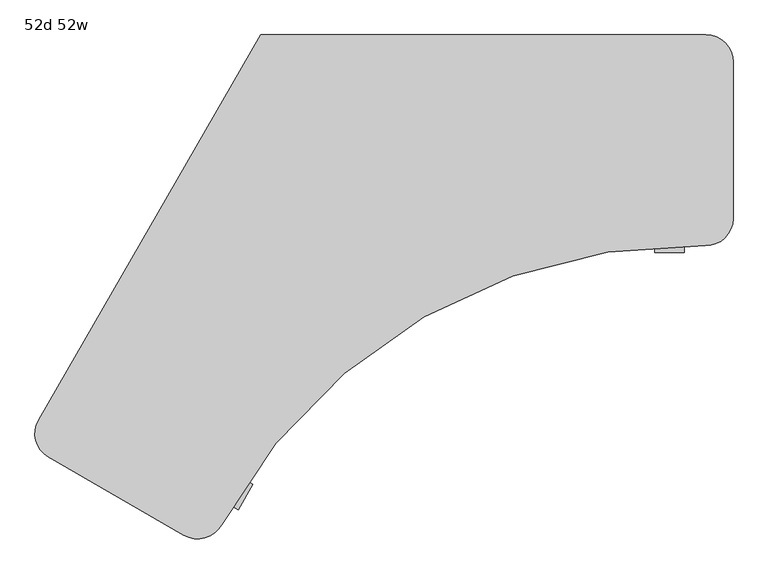
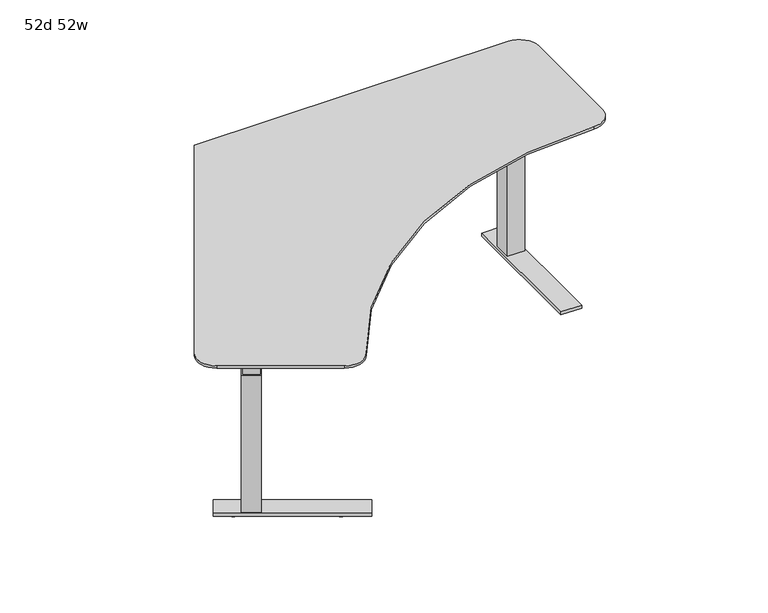
"""IFC4 building model written with IfcOpenShell, lengths in millimetres: furniture geometry, 52d 52w."""

import ifcopenshell
import ifcopenshell.guid

model = None  # the IFC model being written
_history = None  # IfcOwnerHistory: only IFC2X3 demands one
_inside = {}  # id of a spatial element -> (the spatial element, [elements in it])
_under = {}  # id of a project, library or spatial element -> (it, [spatial elements below it])
_declared = {}  # id of a project -> (the project, [libraries it declares])
_typed = {}  # id of a type object -> (the type object, [elements of that type])
_made_of = {}  # id of a material, layer set ... -> (it, [elements and type objects made of it])


def new_model(schema):
    """Start an empty IFC model of exactly this schema.

    Asked for "IFC4X3", IfcOpenShell would pick the latest addendum, in which some entities
    have other attributes; the version numbers below select the first issue.
    IFC2X3 requires an IfcOwnerHistory on every rooted entity: one is made here for all.
    """
    global model, _history
    if schema == "IFC4X3":
        model = ifcopenshell.file(schema_version=(4, 3, 0, 0))
    else:
        model = ifcopenshell.file(schema=schema)
    _inside.clear()
    _under.clear()
    _declared.clear()
    _typed.clear()
    _made_of.clear()
    _history = None
    if model.schema == "IFC2X3":
        org = make("IfcOrganization", Name="unknown")
        user = make(
            "IfcPersonAndOrganization",
            ThePerson=make("IfcPerson", FamilyName="unknown"),
            TheOrganization=org,
        )
        app = make(
            "IfcApplication",
            ApplicationDeveloper=org,
            Version="unknown",
            ApplicationFullName="unknown",
            ApplicationIdentifier="unknown",
        )
        _history = make(
            "IfcOwnerHistory",
            OwningUser=user,
            OwningApplication=app,
            ChangeAction="ADDED",
            CreationDate=0,
        )
    return model


def make(cls, **values):
    """One entity of the class cls with the attributes given. An attribute that is None is left unset."""
    return model.create_entity(
        cls, **{name: value for name, value in values.items() if value is not None}
    )


def rooted(cls, **values):
    """An entity with a GlobalId (a new one), such as an element, a storey or a relation."""
    return make(cls, GlobalId=ifcopenshell.guid.new(), OwnerHistory=_history, **values)


def si_unit(unit_type, name, prefix=None):
    """IfcSIUnit, for example si_unit("LENGTHUNIT", "METRE", prefix="MILLI")."""
    return make("IfcSIUnit", UnitType=unit_type, Prefix=prefix, Name=name)


def assignment(units):
    """IfcUnitAssignment: the units of a project."""
    return None if units is None else make("IfcUnitAssignment", Units=units)


def point(xyz):
    """IfcCartesianPoint."""
    return None if xyz is None else make("IfcCartesianPoint", Coordinates=xyz)


def direction(xyz):
    """IfcDirection."""
    return None if xyz is None else make("IfcDirection", DirectionRatios=xyz)


def frame(location, z_axis=None, x_axis=None):
    """IfcAxis2Placement3D, a coordinate frame: its origin and axes. An axis left out is left unset."""
    return make(
        "IfcAxis2Placement3D",
        Location=point(location),
        Axis=direction(z_axis),
        RefDirection=direction(x_axis),
    )


def frame_2d(location, x_axis=None):
    """IfcAxis2Placement2D, a coordinate frame in the plane: its origin and x axis."""
    return make(
        "IfcAxis2Placement2D", Location=point(location), RefDirection=direction(x_axis)
    )


def origin():
    """The frame at (0, 0, 0) with its axes left unset."""
    return frame((0.0, 0.0, 0.0))


def origin_with_axes():
    """The frame at (0, 0, 0) with the z axis (0, 0, 1) and the x axis (1, 0, 0) written out."""
    return frame((0.0, 0.0, 0.0), z_axis=(0.0, 0.0, 1.0), x_axis=(1.0, 0.0, 0.0))


def place(relative_to, where):
    """IfcLocalPlacement: puts the frame where relative to a parent placement (None: the world)."""
    return make(
        "IfcLocalPlacement", PlacementRelTo=relative_to, RelativePlacement=where
    )


def context(
    kind, dimensions, precision=None, world=None, true_north=None, identifier=None
):
    """IfcGeometricRepresentationContext, for example the 3D "Model" context."""
    return make(
        "IfcGeometricRepresentationContext",
        ContextIdentifier=identifier,
        ContextType=kind,
        CoordinateSpaceDimension=dimensions,
        Precision=precision,
        WorldCoordinateSystem=world,
        TrueNorth=true_north,
    )


def project(units=None, contexts=None):
    """IfcProject with its units and contexts."""
    return rooted(
        "IfcProject",
        Name="project",
        RepresentationContexts=contexts,
        UnitsInContext=assignment(units),
    )


def spatial(cls, under=None, at=None, **own):
    """A site, building, storey or space (cls), placed at a placement, below another one or the project."""
    s = rooted(cls, ObjectPlacement=at, **own)
    if under is not None:
        _under.setdefault(under.id(), (under, []))[1].append(s)
    return s


def polyline(points):
    """IfcPolyline through the points."""
    return make("IfcPolyline", Points=[point(p) for p in points])


def circle_curve(where, radius):
    """IfcCircle in the frame where."""
    return make("IfcCircle", Position=where, Radius=radius)


def trimmed(basis, trim1, trim2, sense, master):
    """IfcTrimmedCurve: the piece of a basis curve between two trims."""
    return make(
        "IfcTrimmedCurve",
        BasisCurve=basis,
        Trim1=trim1,
        Trim2=trim2,
        SenseAgreement=sense,
        MasterRepresentation=master,
    )


def segment(curve, same_sense, transition):
    """IfcCompositeCurveSegment."""
    return make(
        "IfcCompositeCurveSegment",
        Transition=transition,
        SameSense=same_sense,
        ParentCurve=curve,
    )


def composite_curve(segments, self_intersect=None):
    """IfcCompositeCurve: segments joined end to end."""
    return make("IfcCompositeCurve", Segments=segments, SelfIntersect=self_intersect)


def outline(outer, holes=None, kind="AREA"):
    """IfcArbitraryClosedProfileDef: a profile drawn as a closed curve; with holes, ...WithVoids."""
    if holes is None:
        return make("IfcArbitraryClosedProfileDef", ProfileType=kind, OuterCurve=outer)
    return make(
        "IfcArbitraryProfileDefWithVoids",
        ProfileType=kind,
        OuterCurve=outer,
        InnerCurves=holes,
    )


def extrude(swept, where, along, depth):
    """IfcExtrudedAreaSolid: the profile swept, set in the frame where, extruded along a direction by depth."""
    return make(
        "IfcExtrudedAreaSolid",
        SweptArea=swept,
        Position=where,
        ExtrudedDirection=direction(along),
        Depth=depth,
    )


def faces_of(points, faces, orient=None, outer=None):
    """IfcFace entities. A face is a list of loops; a loop is a list of indices into points, from 0.

    orient and outer hold one flag for each loop. By default every Orientation is true, the
    first loop of a face is its IfcFaceOuterBound and the others are IfcFaceBound.
    """
    made = []
    for i, loops in enumerate(faces):
        bounds = []
        for j, loop in enumerate(loops):
            is_outer = j == 0 if outer is None else outer[i][j]
            bounds.append(
                make(
                    "IfcFaceOuterBound" if is_outer else "IfcFaceBound",
                    Bound=make("IfcPolyLoop", Polygon=[points[k] for k in loop]),
                    Orientation=True if orient is None else orient[i][j],
                )
            )
        made.append(make("IfcFace", Bounds=bounds))
    return made


def faceted_brep(points, faces, orient=None, outer=None, voids=None):
    """IfcFacetedBrep: a solid bounded by flat faces; with voids (closed shells), ...WithVoids."""
    shared = [point(p) for p in points]
    hull = make("IfcClosedShell", CfsFaces=faces_of(shared, faces, orient, outer))
    if voids is None:
        return make("IfcFacetedBrep", Outer=hull)
    return make(
        "IfcFacetedBrepWithVoids",
        Outer=hull,
        Voids=[
            make(cls, CfsFaces=faces_of(shared, fs, o, b)) for cls, fs, o, b in voids
        ],
    )


def shape(context_of_items, identifier, shape_type, items):
    """IfcShapeRepresentation: the items that make up one representation, for example the "Body"."""
    return make(
        "IfcShapeRepresentation",
        ContextOfItems=context_of_items,
        RepresentationIdentifier=identifier,
        RepresentationType=shape_type,
        Items=items,
    )


def source(mapping_origin, context_of_items, identifier, shape_type, items):
    """IfcRepresentationMap: a shape defined once, which mapped items show again and again."""
    return make(
        "IfcRepresentationMap",
        MappingOrigin=mapping_origin,
        MappedRepresentation=shape(context_of_items, identifier, shape_type, items),
    )


def transform(
    local_origin,
    x_axis=None,
    y_axis=None,
    z_axis=None,
    scale=None,
    scale2=None,
    scale3=None,
    uniform=True,
):
    """IfcCartesianTransformationOperator3D, or its non-uniform kind. x_axis, y_axis, z_axis: its Axis1, 2, 3."""
    if uniform:
        return make(
            "IfcCartesianTransformationOperator3D",
            Axis1=direction(x_axis),
            Axis2=direction(y_axis),
            LocalOrigin=point(local_origin),
            Scale=scale,
            Axis3=direction(z_axis),
        )
    return make(
        "IfcCartesianTransformationOperator3DnonUniform",
        Axis1=direction(x_axis),
        Axis2=direction(y_axis),
        LocalOrigin=point(local_origin),
        Scale=scale,
        Axis3=direction(z_axis),
        Scale2=scale2,
        Scale3=scale3,
    )


def mapped(mapping_source, mapping_target):
    """IfcMappedItem: shows the shape of a source again, moved by a transform."""
    return make(
        "IfcMappedItem", MappingSource=mapping_source, MappingTarget=mapping_target
    )


def made_of(thing, what):
    """Note that an element or type object is made of a material, layer set ...; save() writes the relation."""
    if what is not None:
        _made_of.setdefault(what.id(), (what, []))[1].append(thing)
    return thing


def element(
    cls,
    number,
    at=None,
    inside=None,
    cuts=None,
    type_object=None,
    material=None,
    context=None,
    identifier="Body",
    shape_type=None,
    held_by="IfcProductDefinitionShape",
    body=None,
    shapes=None,
    **own,
):
    """One element of the class cls, such as IfcWall. Its Tag is "e" and its number.

    at: its placement. inside: the storey or other place that contains it. cuts: it is an
    opening in that element (IfcRelVoidsElement). A single representation is given by context,
    identifier, shape_type and body (its items); several are given by shapes. held_by: the class
    of the entity that holds the representations. save() writes the other relations.
    """
    e = rooted(cls, Tag="e%d" % number, ObjectPlacement=at, **own)
    if body is not None:
        shapes = [shape(context, identifier, shape_type, body)]
    if shapes is not None:
        e.Representation = make(held_by, Representations=shapes)
    if inside is not None:
        _inside.setdefault(inside.id(), (inside, []))[1].append(e)
    if cuts is not None:
        rooted(
            "IfcRelVoidsElement", RelatingBuildingElement=cuts, RelatedOpeningElement=e
        )
    if type_object is not None:
        _typed.setdefault(type_object.id(), (type_object, []))[1].append(e)
    return made_of(e, material)


def aggregate(whole, parts):
    """IfcRelAggregates: a whole, such as a stair, and the parts it consists of."""
    return rooted("IfcRelAggregates", RelatingObject=whole, RelatedObjects=parts)


def save(model, path):
    """Write the relations noted so far, then the file.

    IfcRelAggregates (storeys below a building ...), IfcRelContainedInSpatialStructure (elements
    in a storey), IfcRelDefinesByType, IfcRelAssociatesMaterial and IfcRelDeclares: one each for
    every whole, place, type object, material and project.
    """
    for whole, parts in _under.values():
        aggregate(whole, parts)
    for where, things in _inside.values():
        rooted(
            "IfcRelContainedInSpatialStructure",
            RelatedElements=things,
            RelatingStructure=where,
        )
    for kind, things in _typed.values():
        rooted("IfcRelDefinesByType", RelatedObjects=things, RelatingType=kind)
    for what, things in _made_of.values():
        rooted("IfcRelAssociatesMaterial", RelatedObjects=things, RelatingMaterial=what)
    for by, libraries in _declared.values():
        rooted("IfcRelDeclares", RelatingContext=by, RelatedDefinitions=libraries)
    model.write(path)


def plane_surface(at):
    """IfcPlane: the flat surface through the origin of the frame at, square to its z axis."""
    return make("IfcPlane", Position=at)


def cylinder_surface(at, radius):
    """IfcCylindricalSurface: all points at the distance radius from the z axis of the frame at."""
    return make("IfcCylindricalSurface", Position=at, Radius=radius)


def revolved_surface(curve, axis_point, axis_direction):
    """IfcSurfaceOfRevolution: the curve turned about the line through axis_point along axis_direction."""
    return make(
        "IfcSurfaceOfRevolution",
        SweptCurve=make("IfcArbitraryOpenProfileDef", ProfileType="CURVE", Curve=curve),
        AxisPosition=make("IfcAxis1Placement", Location=point(axis_point), Axis=direction(axis_direction)),
    )


def advanced_brep(points, edges, surfaces, faces):
    """IfcAdvancedBrep: a solid bounded by faces that lie on surfaces and meet in shared edges.

    An edge is (start, end): straight between two places in points (the first is 0);
    or (start, end, curve); or (start, end, curve, False) where it runs against its curve.
    A face is (place in surfaces, loops), or (place, loops, False) where it looks against
    its surface's normal. A loop lists edges by number (the first is 1), with a minus sign
    where the edge is run from its end to its start. The first loop is the outer one.
    """
    corners = [point(p) for p in points]
    vertices = [make("IfcVertexPoint", VertexGeometry=c) for c in corners]
    made = []
    for start, end, *more in edges:
        made.append(
            make(
                "IfcEdgeCurve",
                EdgeStart=vertices[start],
                EdgeEnd=vertices[end],
                EdgeGeometry=more[0] if more else make("IfcPolyline", Points=[corners[start], corners[end]]),
                SameSense=more[1] if len(more) > 1 else True,
            )
        )
    hull = []
    for where, loops, *sense in faces:
        bounds = []
        for j, loop in enumerate(loops):
            ring = [make("IfcOrientedEdge", EdgeElement=made[abs(k) - 1], Orientation=k > 0) for k in loop]
            bounds.append(
                make(
                    "IfcFaceOuterBound" if j == 0 else "IfcFaceBound",
                    Bound=make("IfcEdgeLoop", EdgeList=ring),
                    Orientation=True,
                )
            )
        hull.append(make("IfcAdvancedFace", Bounds=bounds, FaceSurface=surfaces[where], SameSense=sense[0] if sense else True))
    return make("IfcAdvancedBrep", Outer=make("IfcClosedShell", CfsFaces=hull))


def furniture_52d_52w_4bf443f7(model_context):
    return source(origin(), model_context, "Body", "SolidModel", [
        extrude(outline(composite_curve([segment(polyline([(-540.8415996, 15.8671315), (-622.355996, -31.1952273)]), True, "CONTINUOUS"), segment(trimmed(circle_curve(frame_2d((-626.324746, -24.3211506)), 7.9375), [point((-622.355996, -31.1952273))], [point((-633.1988227, -28.2899006))], False, "CARTESIAN"), True, "CONTINUOUS"), segment(polyline([(-633.1988227, -28.2899006), (-718.7043722, 119.8100555)]), True, "CONTINUOUS"), segment(trimmed(circle_curve(frame_2d((-711.8302956, 123.7788055)), 7.9375), [point((-718.7043722, 119.8100555))], [point((-715.7990456, 130.6528821))], False, "CARTESIAN"), True, "CONTINUOUS"), segment(polyline([(-715.7990456, 130.6528821), (-634.2846491, 177.7152408)]), True, "CONTINUOUS"), segment(trimmed(circle_curve(frame_2d((-630.3158991, 170.8411642)), 7.9375), [point((-634.2846491, 177.7152408))], [point((-623.4418225, 174.8099142))], False, "CARTESIAN"), True, "CONTINUOUS"), segment(polyline([(-623.4418225, 174.8099142), (-537.936273, 26.7099581)]), True, "CONTINUOUS"), segment(trimmed(circle_curve(frame_2d((-544.8103496, 22.7412081)), 7.9375), [point((-537.936273, 26.7099581))], [point((-540.8415996, 15.8671315))], False, "CARTESIAN"), True, "CONTINUOUS")], self_intersect=False)), frame((0.0, 0.0, 668.3375), z_axis=(0.0, 0.0, 1.0), x_axis=(1.0, 0.0, 0.0)), (0.0, 0.0, 1.0), 38.1),
        advanced_brep(
        [(-667.5786469, 141.2574192, 0.0), (-642.6191103, 98.0262336, 0.0), (-655.0988786, 119.6418264, 0.0), (-667.5786469, 141.2574192, 5.9990992), (-642.6191103, 98.0262336, 5.9990992), (-657.9141433, 124.5180078, 12.2119374), (-652.2836139, 114.7656449, 12.2119374), (-657.0983773, 123.1050597, 12.2119374), (-653.0993799, 116.1785931, 12.2119374), (-657.0983773, 123.1050597, 15.7335157), (-653.0993799, 116.1785931, 15.7335157), (-655.0988786, 119.6418264, 15.7335157)],
        [
            (0, 1, circle_curve(frame((-655.0988786, 119.6418264, 0.0), z_axis=(0.0, 0.0, -1.0), x_axis=(0.4999999999999908, -0.8660254037844441, 0.0)), 24.9595366)),
            (1, 2),
            (2, 0),
            (1, 0, circle_curve(frame((-655.0988786, 119.6418264, 0.0), z_axis=(0.0, 0.0, -1.0), x_axis=(0.4999999999999908, -0.8660254037844441, 0.0)), 24.9595366)),
            (3, 4, circle_curve(frame((-655.0988786, 119.6418264, 5.9990992), z_axis=(0.0, 0.0, -1.0), x_axis=(0.4999999999999908, -0.8660254037844441, 0.0)), 24.9595366)),
            (4, 1),
            (0, 3),
            (4, 3, circle_curve(frame((-655.0988786, 119.6418264, 5.9990992), z_axis=(0.0, 0.0, -1.0), x_axis=(0.4999999999999908, -0.8660254037844441, 0.0)), 24.9595366)),
            (5, 6, circle_curve(frame((-655.0988786, 119.6418264, 12.2119374), z_axis=(0.0, 0.0, -1.0), x_axis=(0.4999999999999908, -0.8660254037844441, 0.0)), 5.6305293)),
            (6, 4),
            (3, 5),
            (6, 5, circle_curve(frame((-655.0988786, 119.6418264, 12.2119374), z_axis=(0.0, 0.0, -1.0), x_axis=(0.4999999999999908, -0.8660254037844441, 0.0)), 5.6305293)),
            (7, 8, circle_curve(frame((-655.0988786, 119.6418264, 12.2119374), z_axis=(0.0, 0.0, -1.0), x_axis=(0.4999999999999908, -0.8660254037844441, 0.0)), 3.9989974)),
            (8, 6),
            (5, 7),
            (8, 7, circle_curve(frame((-655.0988786, 119.6418264, 12.2119374), z_axis=(0.0, 0.0, -1.0), x_axis=(0.4999999999999908, -0.8660254037844441, 0.0)), 3.9989974)),
            (9, 10, circle_curve(frame((-655.0988786, 119.6418264, 15.7335157), z_axis=(0.0, 0.0, -1.0), x_axis=(0.4999999999999908, -0.8660254037844441, 0.0)), 3.9989974)),
            (10, 8),
            (7, 9),
            (10, 9, circle_curve(frame((-655.0988786, 119.6418264, 15.7335157), z_axis=(0.0, 0.0, -1.0), x_axis=(0.4999999999999908, -0.8660254037844441, 0.0)), 3.9989974)),
            (11, 10),
            (9, 11),
        ],
        [
            plane_surface(frame((-655.0988786, 119.6418264, 0.0), z_axis=(0.0, 0.0, -0.9999999999999998), x_axis=(0.4999999999999907, -0.8660254037844439, 0.0))),
            cylinder_surface(frame((-655.0988786, 119.6418264, 27.0380565), z_axis=(0.0, 0.0, 1.0), x_axis=(0.4999999999999908, -0.8660254037844441, 0.0)), 24.9595366),
            revolved_surface(polyline([(-642.6191103, 98.0262336, 5.9990992), (-652.2836139, 114.7656449, 12.2119374)]), (-655.0988786, 119.6418264, 27.0380565), (0.0, 0.0, 1.0)),
            plane_surface(frame((-655.0988786, 119.6418264, 12.2119374), z_axis=(0.0, 0.0, 0.9999999999999998), x_axis=(0.4999999999999907, -0.8660254037844439, 0.0))),
            cylinder_surface(frame((-655.0988786, 119.6418264, 27.0380565), z_axis=(0.0, 0.0, 1.0), x_axis=(0.4999999999999908, -0.8660254037844441, 0.0)), 3.9989974),
            plane_surface(frame((-655.0988786, 119.6418264, 15.7335157), z_axis=(0.0, 0.0, 0.9999999999999998), x_axis=(0.4999999999999907, -0.8660254037844439, 0.0))),
        ],
        [
            (0, [[1, 2, 3]]),
            (0, [[4, -3, -2]]),
            (1, [[5, 6, -1, 7]]),
            (1, [[8, -7, -4, -6]]),
            (2, [[9, 10, -5, 11]]),
            (2, [[12, -11, -8, -10]]),
            (3, [[13, 14, -9, 15]]),
            (3, [[16, -15, -12, -14]]),
            (4, [[17, 18, -13, 19]]),
            (4, [[20, -19, -16, -18]]),
            (5, [[21, -17, 22]]),
            (5, [[-22, -20, -21]]),
        ],
    ),
        extrude(outline(composite_curve([segment(polyline([(-641.348875, 155.7830063), (-616.9261928, 113.48168)]), True, "CONTINUOUS"), segment(trimmed(circle_curve(frame_2d((-621.7380465, 110.703555)), 5.55625), [point((-616.9261928, 113.48168))], [point((-618.9599215, 105.8917013))], False, "CARTESIAN"), True, "CONTINUOUS"), segment(polyline([(-618.9599215, 105.8917013), (-661.2606718, 81.4693517)]), True, "CONTINUOUS"), segment(trimmed(circle_curve(frame_2d((-664.0387968, 86.2812054)), 5.55625), [point((-661.2606718, 81.4693517))], [point((-668.8506505, 83.5030804))], False, "CARTESIAN"), True, "CONTINUOUS"), segment(polyline([(-668.8506505, 83.5030804), (-693.2733326, 125.8044067)]), True, "CONTINUOUS"), segment(trimmed(circle_curve(frame_2d((-688.461479, 128.5825317)), 5.55625), [point((-693.2733326, 125.8044067))], [point((-691.239604, 133.3943854))], False, "CARTESIAN"), True, "CONTINUOUS"), segment(polyline([(-691.239604, 133.3943854), (-648.9388536, 157.816735)]), True, "CONTINUOUS"), segment(trimmed(circle_curve(frame_2d((-646.1607286, 153.0048813)), 5.55625), [point((-648.9388536, 157.816735))], [point((-641.348875, 155.7830063))], False, "CARTESIAN"), True, "CONTINUOUS")], self_intersect=False)), frame((0.0, 0.0, 513.5615976), z_axis=(0.0, 0.0, 1.0), x_axis=(1.0, 0.0, 0.0)), (0.0, 0.0, 1.0), 154.7759024),
        extrude(outline(composite_curve([segment(trimmed(circle_curve(frame_2d((-615.9997443, 109.2201542)), 6.35), [point((-610.5004829, 112.3951542))], [point((-612.8247443, 103.7208929))], False, "CARTESIAN"), True, "CONTINUOUS"), segment(polyline([(-612.8247443, 103.7208929), (-662.4480129, 75.0708854)]), True, "CONTINUOUS"), segment(trimmed(circle_curve(frame_2d((-665.6230129, 80.5701467)), 6.35), [point((-662.4480129, 75.0708854))], [point((-671.1222743, 77.3951467))], False, "CARTESIAN"), True, "CONTINUOUS"), segment(polyline([(-671.1222743, 77.3951467), (-699.6972743, 126.8884985)]), True, "CONTINUOUS"), segment(trimmed(circle_curve(frame_2d((-694.1980129, 130.0634985)), 6.35), [point((-699.6972743, 126.8884985))], [point((-697.3730129, 135.5627598))], False, "CARTESIAN"), True, "CONTINUOUS"), segment(polyline([(-697.3730129, 135.5627598), (-647.7497443, 164.2127674)]), True, "CONTINUOUS"), segment(trimmed(circle_curve(frame_2d((-644.5747443, 158.713506)), 6.35), [point((-647.7497443, 164.2127674))], [point((-639.0754829, 161.888506))], False, "CARTESIAN"), True, "CONTINUOUS"), segment(polyline([(-639.0754829, 161.888506), (-610.5004829, 112.3951542)]), True, "CONTINUOUS")], self_intersect=False)), frame((0.0, 0.0, 13.4990976), z_axis=(0.0, 0.0, 1.0), x_axis=(1.0, 0.0, 0.0)), (0.0, 0.0, 1.0), 500.0625),
        extrude(outline(composite_curve([segment(trimmed(circle_curve(frame_2d((-1217.6911351, -751.1801985)), 28.5342152), [point((-1231.9582427, -775.8915537))], [point((-1203.4240275, -726.4688433))], False, "CARTESIAN"), True, "CONTINUOUS"), segment(trimmed(circle_curve(frame_2d((-1217.6911351, -751.1801985)), 28.5342152), [point((-1203.4240275, -726.4688433))], [point((-1231.9582427, -775.8915537))], False, "CARTESIAN"), True, "CONTINUOUS")], self_intersect=False)), origin_with_axes(), (0.0, 0.0, 1.0), 9.525),
        extrude(outline(composite_curve([segment(trimmed(circle_curve(frame_2d((-897.3591635, -936.1239485)), 28.6553383), [point((-911.6868327, -960.9401995))], [point((-883.0314944, -911.3076976))], False, "CARTESIAN"), True, "CONTINUOUS"), segment(trimmed(circle_curve(frame_2d((-897.3591635, -936.1239485)), 28.6553383), [point((-883.0314944, -911.3076976))], [point((-911.6868327, -960.9401995))], False, "CARTESIAN"), True, "CONTINUOUS")], self_intersect=False)), origin_with_axes(), (0.0, 0.0, 1.0), 9.525),
        extrude(outline(polyline([(-1175.1135785, -740.9337073), (-1122.870596, -771.0962073), (-1153.033096, -823.3391898), (-1205.2760785, -793.1766898), (-1175.1135785, -740.9337073)])), frame((0.0, 0.0, 596.9), z_axis=(0.0, 0.0, 1.0), x_axis=(1.0, 0.0, 0.0)), (0.0, 0.0, 1.0), 109.5375),
        faceted_brep([(-1256.1706942, -681.30375, 9.525), (-1256.1706942, -681.30375, 22.225), (-784.6090365, -953.56, 22.225), (-784.6090365, -953.56, 9.525), (-1297.4456942, -752.7941471, 9.525), (-825.8840365, -1025.0503971, 9.525), (-825.8840365, -1025.0503971, 22.225), (-1297.4456942, -752.7941471, 22.225), (-1176.8567745, -734.4280113, 596.9), (-1211.7817745, -794.9198857, 596.9), (-1151.2899, -829.8448857, 596.9), (-1116.3649, -769.3530113, 596.9), (-1176.8567745, -734.4280113, 22.225), (-1211.7817745, -794.9198857, 22.225), (-1151.2899, -829.8448857, 22.225), (-1116.3649, -769.3530113, 22.225)], [[[0, 1, 2, 3]], [[4, 5, 6, 7]], [[0, 3, 5, 4]], [[8, 9, 10, 11]], [[9, 8, 12, 13]], [[10, 9, 13, 14]], [[11, 10, 14, 15]], [[8, 11, 15, 12]], [[1, 0, 4, 7]], [[2, 1, 7, 6], [13, 12, 15, 14]], [[3, 2, 6, 5]]]),
        extrude(outline(polyline([(406.4, 0.0), (406.4, -9.3136828), (264.4257578, -66.675), (149.7782415, -66.675), (0.0, -37.5610591), (0.0, 0.0), (406.4, 0.0)])), frame((-971.4017767, -937.3695164, 706.4375), z_axis=(0.5000000000000007, 0.8660254037844384, 0.0), x_axis=(-0.8660254037844384, 0.5000000000000007, 0.0)), (0.0, 0.0, 1.0), 3.175),
        extrude(outline(composite_curve([segment(trimmed(circle_curve(frame_2d((380.3512453, 171.45)), 28.5342152), [point((408.8854605, 171.45))], [point((351.8170302, 171.45))], False, "CARTESIAN"), True, "CONTINUOUS"), segment(trimmed(circle_curve(frame_2d((380.3512453, 171.45)), 28.5342152), [point((351.8170302, 171.45))], [point((408.8854605, 171.45))], False, "CARTESIAN"), True, "CONTINUOUS")], self_intersect=False)), origin_with_axes(), (0.0, 0.0, 1.0), 9.525),
        extrude(outline(composite_curve([segment(trimmed(circle_curve(frame_2d((380.3512453, -198.4375)), 28.6553383), [point((409.0065837, -198.4375))], [point((351.695907, -198.4375))], False, "CARTESIAN"), True, "CONTINUOUS"), segment(trimmed(circle_curve(frame_2d((380.3512453, -198.4375)), 28.6553383), [point((351.695907, -198.4375))], [point((409.0065837, -198.4375))], False, "CARTESIAN"), True, "CONTINUOUS")], self_intersect=False)), origin_with_axes(), (0.0, 0.0, 1.0), 9.525),
        extrude(outline(polyline([(350.1887453, 139.7), (410.5137453, 139.7), (410.5137453, 79.375), (350.1887453, 79.375), (350.1887453, 139.7)])), frame((0.0, 0.0, 596.9), z_axis=(0.0, 0.0, 1.0), x_axis=(1.0, 0.0, 0.0)), (0.0, 0.0, 1.0), 109.5375),
        faceted_brep([(339.0762453, 239.7125, 9.525), (339.0762453, -304.8, 9.525), (339.0762453, -304.8, 22.225), (339.0762453, 239.7125, 22.225), (421.6262453, 239.7125, 9.525), (421.6262453, 239.7125, 22.225), (421.6262453, -304.8, 22.225), (421.6262453, -304.8, 9.525), (345.4262453, 144.4625, 596.9), (345.4262453, 74.6125, 596.9), (415.2762453, 74.6125, 596.9), (415.2762453, 144.4625, 596.9), (415.2762453, 144.4625, 22.225), (345.4262453, 144.4625, 22.225), (415.2762453, 74.6125, 22.225), (345.4262453, 74.6125, 22.225)], [[[0, 1, 2, 3]], [[4, 5, 6, 7]], [[0, 4, 7, 1]], [[8, 9, 10, 11]], [[11, 12, 13, 8]], [[10, 14, 12, 11]], [[9, 15, 14, 10]], [[8, 13, 15, 9]], [[3, 5, 4, 0]], [[2, 6, 5, 3], [12, 14, 15, 13]], [[1, 7, 6, 2]]]),
        extrude(outline(polyline([(271.4625, 706.4375), (271.4625, 697.1238172), (129.4882579, 639.7625), (14.8407415, 639.7625), (-134.9375, 668.8764409), (-134.9375, 706.4375), (271.4625, 706.4375)])), frame((415.2762453, 0.0, 0.0), z_axis=(1.0, 0.0, 0.0), x_axis=(0.0, 1.0, 0.0)), (0.0, 0.0, 1.0), 3.175),
        advanced_brep(
        [(-762.0, 304.8, 736.6), (-1384.3, -773.0552176, 736.6), (-1356.4088642, -877.1463533, 736.6), (-977.3313461, -1096.0068604, 736.6), (-872.2389806, -1066.3263699, 736.6), (480.5497596, -285.2934126, 736.6), (558.8, -209.1209995, 736.6), (558.8, 228.6, 736.6), (482.6, 304.8, 736.6), (508.0, -209.1209995, 706.4375), (481.9165865, -234.5118038, 706.4375), (-916.9005576, -1042.1192731, 706.4375), (-951.9313461, -1052.0127699, 706.4375), (-1331.0088642, -833.1522628, 706.4375), (-1340.3059095, -798.4552176, 706.4375), (-732.6706063, 254.0, 706.4375), (482.6, 254.0, 706.4375), (508.0, 228.6, 706.4375), (482.6, 304.8, 727.075), (-762.0, 304.8, 727.075), (-1384.3, -773.0552176, 727.075), (-1356.4088642, -877.1463533, 727.075), (-977.3313461, -1096.0068604, 727.075), (-872.2389806, -1066.3263699, 727.075), (480.5497596, -285.2934126, 727.075), (558.8, -209.1209995, 727.075), (558.8, 228.6, 727.075)],
        [
            (0, 1),
            (1, 2, circle_curve(frame((-1318.3088642, -811.1552176, 736.6), z_axis=(0.0, 0.0, 1.0), x_axis=(1.0, 0.0, 0.0)), 76.2)),
            (2, 3),
            (3, 4, circle_curve(frame((-939.2313461, -1030.0157247, 736.6), z_axis=(0.0, 0.0, 1.0), x_axis=(1.0, 0.0, 0.0)), 76.2)),
            (4, 5, circle_curve(frame((440.3783017, -1777.7802802, 736.6), z_axis=(0.0, 0.0, -1.0), x_axis=(1.0, 0.0, 0.0)), 1493.027393)),
            (5, 6, circle_curve(frame((482.6, -209.1209995, 736.6), z_axis=(0.0, 0.0, 1.0), x_axis=(1.0, 0.0, 0.0)), 76.2)),
            (6, 7),
            (7, 8, circle_curve(frame((482.6, 228.6, 736.6), z_axis=(0.0, 0.0, 1.0), x_axis=(1.0, 0.0, 0.0)), 76.2)),
            (8, 0),
            (9, 10, circle_curve(frame((482.6, -209.1209995, 706.4375), z_axis=(0.0, 0.0, -1.0), x_axis=(1.0, 0.0, 0.0)), 25.4)),
            (10, 11, circle_curve(frame((440.3783017, -1777.7802802, 706.4375), z_axis=(0.0, 0.0, 1.0), x_axis=(0.026906042123088482, 0.9996379669146579, 0.0)), 1543.827393)),
            (11, 12, circle_curve(frame((-939.2313461, -1030.0157247, 706.4375), z_axis=(0.0, 0.0, -1.0), x_axis=(0.8791649024167798, -0.476517653774227, 0.0)), 25.4)),
            (12, 13),
            (13, 14, circle_curve(frame((-1318.3088642, -811.1552176, 706.4375), z_axis=(0.0, 0.0, -1.0), x_axis=(-0.49999999999999717, -0.8660254037844403, 0.0)), 25.4)),
            (14, 15),
            (15, 16),
            (16, 17, circle_curve(frame((482.6, 228.6, 706.4375), z_axis=(0.0, 0.0, -1.0), x_axis=(0.0, 1.0, 0.0)), 25.4)),
            (17, 9),
            (8, 18),
            (18, 19),
            (19, 0),
            (19, 20),
            (20, 1),
            (20, 21, circle_curve(frame((-1318.3088642, -811.1552176, 727.075), z_axis=(0.0, 0.0, 1.0), x_axis=(1.0, 0.0, 0.0)), 76.2)),
            (21, 2),
            (21, 22),
            (22, 3),
            (22, 23, circle_curve(frame((-939.2313461, -1030.0157247, 727.075), z_axis=(0.0, 0.0, 1.0), x_axis=(1.0, 0.0, 0.0)), 76.2)),
            (23, 4),
            (23, 24, circle_curve(frame((440.3783017, -1777.7802802, 727.075), z_axis=(0.0, 0.0, -1.0), x_axis=(1.0, 0.0, 0.0)), 1493.027393)),
            (24, 5),
            (24, 25, circle_curve(frame((482.6, -209.1209995, 727.075), z_axis=(0.0, 0.0, 1.0), x_axis=(1.0, 0.0, 0.0)), 76.2)),
            (25, 6),
            (25, 26),
            (26, 7),
            (26, 18, circle_curve(frame((482.6, 228.6, 727.075), z_axis=(0.0, 0.0, 1.0), x_axis=(1.0, 0.0, 0.0)), 76.2)),
            (24, 10),
            (9, 25),
            (23, 11),
            (22, 12),
            (21, 13),
            (20, 14),
            (19, 15),
            (18, 16),
            (26, 17),
        ],
        [
            plane_surface(frame((-762.0, 304.8, 736.6), z_axis=(0.0, 0.0, 1.0000000000000002), x_axis=(-0.49999999999999795, -0.8660254037844399, 0.0))),
            plane_surface(frame((-762.0, 304.8, 706.4375), z_axis=(0.0, 0.0, -1.0000000000000002), x_axis=(0.49999999999999795, 0.8660254037844399, 0.0))),
            plane_surface(frame((482.6, 304.8, 736.6), z_axis=(0.0, 1.0, 0.0), x_axis=(0.0, 0.0, -1.0))),
            plane_surface(frame((-762.0, 304.8, 736.6), z_axis=(-0.8660254037844399, 0.49999999999999795, 0.0), x_axis=(0.0, 0.0, -1.0))),
            cylinder_surface(frame((-1318.3088642, -811.1552176, 706.4375), z_axis=(0.0, 0.0, 1.0), x_axis=(1.0, 0.0, 0.0)), 76.2),
            plane_surface(frame((-1356.4088642, -877.1463533, 736.6), z_axis=(-0.4999999999999962, -0.8660254037844409, 0.0), x_axis=(0.0, 0.0, -1.0))),
            cylinder_surface(frame((-939.2313461, -1030.0157247, 706.4375), z_axis=(0.0, 0.0, 1.0), x_axis=(1.0, 0.0, 0.0)), 76.2),
            revolved_surface(polyline([(1933.4056947000001, -1777.7802802, 727.075), (1933.4056947000001, -1777.7802802, 736.6)]), (440.3783017, -1777.7802802, 706.4375), (0.0, 0.0, -1.0)),
            cylinder_surface(frame((482.6, -209.1209995, 706.4375), z_axis=(0.0, 0.0, 1.0), x_axis=(1.0, 0.0, 0.0)), 76.2),
            plane_surface(frame((558.8, -209.1209995, 736.6), z_axis=(1.0, 0.0, 0.0), x_axis=(0.0, 0.0, -1.0))),
            cylinder_surface(frame((482.6, 228.6, 706.4375), z_axis=(0.0, 0.0, 1.0), x_axis=(1.0, 0.0, 0.0)), 76.2),
            revolved_surface(polyline([(558.8, -209.1209995, 727.075), (508.0, -209.1209995, 706.4375)]), (482.6, -209.1209995, 706.4375), (0.0, 0.0, -1.0)),
            revolved_surface(polyline([(480.5497596, -285.2934126, 727.075), (481.9165865, -234.5118038, 706.4375)]), (440.3783017, -1777.7802802, 706.4375), (0.0, 0.0, 1.0)),
            revolved_surface(polyline([(-872.2389806, -1066.3263699, 727.075), (-916.9005576, -1042.1192731, 706.4375)]), (-939.2313461, -1030.0157247, 706.4375), (0.0, 0.0, -1.0)),
            plane_surface(frame((-951.9313461, -1052.0127699, 706.4375), z_axis=(-0.18818852347798432, -0.3259520840652353, -0.9264665771222976), x_axis=(-0.8660254037844407, 0.4999999999999965, 0.0))),
            revolved_surface(polyline([(-1356.4088642, -877.1463533, 727.075), (-1331.0088642, -833.1522628, 706.4375)]), (-1318.3088642, -811.1552176, 706.4375), (0.0, 0.0, -1.0)),
            plane_surface(frame((-1340.3059095, -798.4552176, 706.4375), z_axis=(-0.325952084065238, 0.18818852347798196, -0.9264665771222971), x_axis=(0.49999999999999784, 0.8660254037844399, 0.0))),
            plane_surface(frame((-732.6706063, 254.0, 706.4375), z_axis=(0.0, 0.37637704695596536, -0.9264665771222981), x_axis=(1.0, 0.0, 0.0))),
            revolved_surface(polyline([(482.6, 304.8, 727.075), (482.6, 254.0, 706.4375)]), (482.6, 228.6, 706.4375), (0.0, 0.0, -1.0)),
            plane_surface(frame((508.0, 228.6, 706.4375), z_axis=(0.37637704695596236, 0.0, -0.9264665771222993), x_axis=(0.0, -1.0, 0.0))),
        ],
        [
            (0, [[1, 2, 3, 4, 5, 6, 7, 8, 9]]),
            (1, [[10, 11, 12, 13, 14, 15, 16, 17, 18]]),
            (2, [[-9, 19, 20, 21]]),
            (3, [[-1, -21, 22, 23]]),
            (4, [[-2, -23, 24, 25]]),
            (5, [[-3, -25, 26, 27]]),
            (6, [[-4, -27, 28, 29]]),
            (7, [[-5, -29, 30, 31]]),
            (8, [[-6, -31, 32, 33]]),
            (9, [[-7, -33, 34, 35]]),
            (10, [[-8, -35, 36, -19]]),
            (11, [[37, -10, 38, -32]]),
            (12, [[-37, -30, 39, -11]]),
            (13, [[-39, -28, 40, -12]]),
            (14, [[-40, -26, 41, -13]]),
            (15, [[-41, -24, 42, -14]]),
            (16, [[-42, -22, 43, -15]]),
            (17, [[-43, -20, 44, -16]]),
            (18, [[-44, -36, 45, -17]]),
            (19, [[-38, -18, -45, -34]]),
        ],
    ),
    ])


if __name__ == "__main__":
    model = new_model("IFC4")
    model_context = context("Model", 3, world=origin())
    ifc_project = project(units=[si_unit("LENGTHUNIT", "METRE", prefix="MILLI")], contexts=[model_context])
    site = spatial("IfcSite", under=ifc_project)
    building = spatial("IfcBuilding", under=site)
    placement = place(None, origin())
    furniture_52d_52w_shape = furniture_52d_52w_4bf443f7(model_context)
    element("IfcFurniture", 1, ObjectType="52d 52w", at=placement, inside=building, context=model_context, shape_type="MappedRepresentation", body=[
        mapped(furniture_52d_52w_shape, transform((0.0, 0.0, 0.0), x_axis=(1.0, 0.0, 0.0), y_axis=(0.0, 1.0, 0.0), z_axis=(0.0, 0.0, 1.0))),
    ])
    save(model, "model.ifc")
